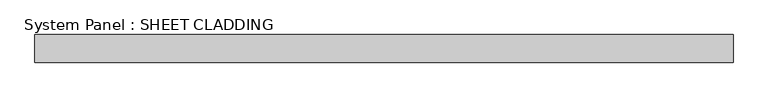
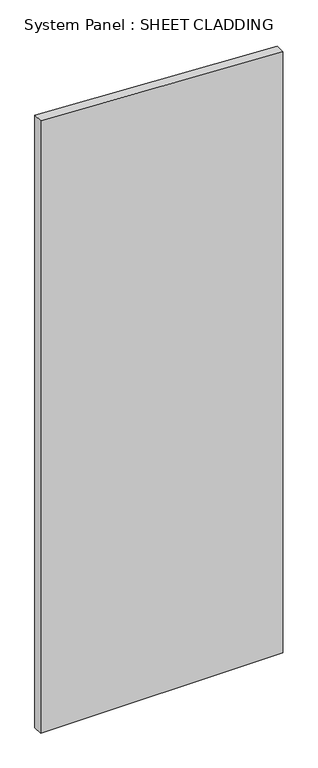
"""IFC4 building model written with IfcOpenShell, lengths in millimetres: plate geometry, System Panel : SHEET CLADDING."""

from ifc_helpers import new_model, si_unit, frame, origin, place, context, project, spatial, polyline, outline, extrude, source, transform, mapped, element, save


def system_panel_sheet_cladding_3d7f035c(model_context):
    return source(origin(), model_context, "Body", "SweptSolid", [
        extrude(outline(polyline([(0.0, -750.0), (0.0, 750.0), (3935.1, 750.0), (4010.1, -750.0), (0.0, -750.0)])), frame((0.0, -49.5, 0.0), z_axis=(0.0, 1.0, 0.0), x_axis=(0.0, 0.0, 1.0)), (0.0, 0.0, 1.0), 60.0),
    ])


if __name__ == "__main__":
    model = new_model("IFC4")
    model_context = context("Model", 3, world=origin())
    ifc_project = project(units=[si_unit("LENGTHUNIT", "METRE", prefix="MILLI")], contexts=[model_context])
    site = spatial("IfcSite", under=ifc_project)
    building = spatial("IfcBuilding", under=site)
    placement = place(None, origin())
    system_panel_sheet_cladding_shape = system_panel_sheet_cladding_3d7f035c(model_context)
    element("IfcPlate", 1, ObjectType="System Panel : SHEET CLADDING", at=placement, inside=building, context=model_context, shape_type="MappedRepresentation", body=[
        mapped(system_panel_sheet_cladding_shape, transform((0.0, 0.0, 0.0), x_axis=(1.0, 0.0, 0.0), y_axis=(0.0, 1.0, 0.0), z_axis=(0.0, 0.0, 1.0))),
    ])
    save(model, "model.ifc")
